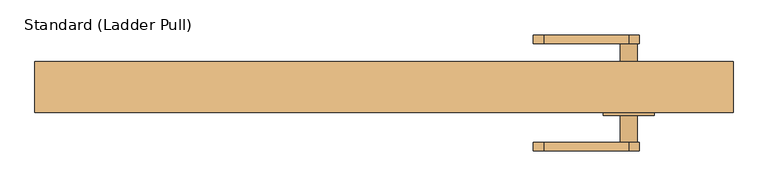
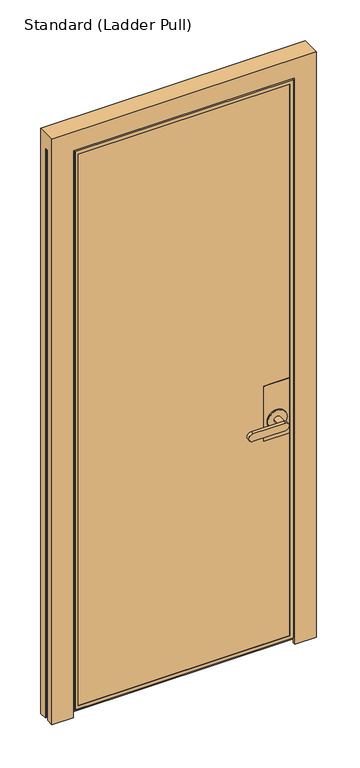
"""IFC4 building model written with IfcOpenShell, lengths in millimetres: door geometry, Standard (Ladder Pull)."""

from ifc_helpers import new_model, si_unit, frame, origin, place, context, project, spatial, polyline, circle_curve, outline, extrude, faceted_brep, source, transform, mapped, element, save
from ifc_brep_helpers import plane_surface, cylinder_surface, advanced_brep


def standard_ladder_pull_adfdaf4c(model_context):
    return source(origin(), model_context, "Body", "SolidModel", [
        faceted_brep([(415.925, 9.525, 1117.6), (314.325, 9.525, 1117.6), (314.325, -26.9875, 1117.6), (415.925, -26.9875, 1117.6), (415.925, 9.525, 889.0), (415.925, -26.9875, 889.0), (314.325, -26.9875, 889.0), (314.325, 9.525, 889.0)], [[[0, 1, 2, 3]], [[4, 5, 6, 7]], [[3, 5, 4, 0]], [[2, 6, 5, 3]], [[1, 7, 6, 2]], [[0, 4, 7, 1]]]),
        advanced_brep(
        [(415.925, -36.5125, 1117.6), (314.325, -36.5125, 1117.6), (314.325, -38.1, 1117.6), (415.925, -38.1, 1117.6), (415.925, -36.5125, 889.0), (415.925, -38.1, 889.0), (314.325, -38.1, 889.0), (314.325, -36.5125, 889.0), (327.025, -38.1, 965.2), (403.225, -38.1, 965.2), (403.225, -42.8625, 965.2), (327.025, -42.8625, 965.2), (352.425, -42.8625, 965.2), (377.825, -42.8625, 965.2), (377.825, -82.55, 965.2), (352.425, -82.55, 965.2), (238.125, -95.25, 949.325), (365.125, -95.25, 949.325), (365.125, -95.25, 981.075), (238.125, -95.25, 981.075), (238.125, -82.55, 949.325), (238.125, -82.55, 981.075), (365.125, -82.55, 981.075), (365.125, -82.55, 949.325)],
        [
            (0, 1),
            (1, 2),
            (2, 3),
            (3, 0),
            (4, 5),
            (5, 6),
            (6, 7),
            (7, 4),
            (3, 5),
            (4, 0),
            (2, 6),
            (8, 9, circle_curve(frame((365.125, -38.1, 965.2), z_axis=(0.0, 1.0, 0.0), x_axis=(-1.0, 0.0, 0.0)), 38.1)),
            (9, 8, circle_curve(frame((365.125, -38.1, 965.2), z_axis=(0.0, 1.0, 0.0), x_axis=(-1.0, 0.0, 0.0)), 38.1)),
            (1, 7),
            (10, 11, circle_curve(frame((365.125, -42.8625, 965.2), z_axis=(0.0, -1.0, 0.0), x_axis=(-1.0, 0.0, 0.0)), 38.1)),
            (11, 10, circle_curve(frame((365.125, -42.8625, 965.2), z_axis=(0.0, -1.0, 0.0), x_axis=(-1.0, 0.0, 0.0)), 38.1)),
            (12, 13, circle_curve(frame((365.125, -42.8625, 965.2), z_axis=(0.0, 1.0, 0.0), x_axis=(-1.0, 0.0, 0.0)), 12.7)),
            (13, 12, circle_curve(frame((365.125, -42.8625, 965.2), z_axis=(0.0, 1.0, 0.0), x_axis=(-1.0, 0.0, 0.0)), 12.7)),
            (11, 8),
            (9, 10),
            (14, 15, circle_curve(frame((365.125, -82.55, 965.2), z_axis=(0.0, 1.0, 0.0), x_axis=(-1.0, 0.0, 0.0)), 12.7)),
            (15, 12),
            (13, 14),
            (15, 14, circle_curve(frame((365.125, -82.55, 965.2), z_axis=(0.0, 1.0, 0.0), x_axis=(-1.0, 0.0, 0.0)), 12.7)),
            (16, 17),
            (17, 18, circle_curve(frame((365.125, -95.25, 965.2), z_axis=(0.0, -1.0, 0.0), x_axis=(-1.0, 0.0, 0.0)), 15.875)),
            (18, 19),
            (19, 16, circle_curve(frame((238.125, -95.25, 965.2), z_axis=(0.0, -1.0, 0.0), x_axis=(-1.0, 0.0, 0.0)), 15.875)),
            (20, 21, circle_curve(frame((238.125, -82.55, 965.2), z_axis=(0.0, 1.0, 0.0), x_axis=(-1.0, 0.0, 0.0)), 15.875)),
            (21, 22),
            (22, 23, circle_curve(frame((365.125, -82.55, 965.2), z_axis=(0.0, 1.0, 0.0), x_axis=(-1.0, 0.0, 0.0)), 15.875)),
            (23, 20),
            (19, 21),
            (20, 16),
            (18, 22),
            (17, 23),
        ],
        [
            plane_surface(frame((415.925, 20.6375, 1117.6), z_axis=(0.0, 0.0, 1.0), x_axis=(0.0, -1.0, 0.0))),
            plane_surface(frame((415.925, 20.6375, 889.0), z_axis=(0.0, 0.0, -1.0), x_axis=(0.0, 1.0, 0.0))),
            plane_surface(frame((415.925, -36.5125, 1117.6), z_axis=(1.0, 0.0, 0.0), x_axis=(0.0, 0.0, -1.0))),
            plane_surface(frame((415.925, -38.1, 1117.6), z_axis=(0.0, -1.0, 0.0), x_axis=(0.0, 0.0, -1.0))),
            plane_surface(frame((314.325, -38.1, 1117.6), z_axis=(-1.0, 0.0, 0.0), x_axis=(0.0, 0.0, -1.0))),
            plane_surface(frame((314.325, -36.5125, 1117.6), z_axis=(0.0, 1.0, 0.0), x_axis=(0.0, 0.0, -1.0))),
            plane_surface(frame((327.025, -42.8625, 965.2), z_axis=(0.0, -1.0, 0.0), x_axis=(0.0, 0.0, 1.0))),
            cylinder_surface(frame((365.125, -38.1, 965.2), z_axis=(0.0, -1.0, 0.0), x_axis=(-1.0, 0.0, 0.0)), 38.1),
            cylinder_surface(frame((365.125, -38.1, 965.2), z_axis=(0.0, -1.0, 0.0), x_axis=(-1.0, 0.0, 0.0)), 12.7),
            plane_surface(frame((222.25, -95.25, 965.2), z_axis=(0.0, -1.0, 0.0), x_axis=(0.0, 0.0, 1.0))),
            plane_surface(frame((222.25, -82.55, 965.2), z_axis=(0.0, 1.0, 0.0), x_axis=(0.0, 0.0, -1.0))),
            cylinder_surface(frame((238.125, -82.55, 965.2), z_axis=(0.0, -1.0, 0.0), x_axis=(-1.0, 0.0, 0.0)), 15.875),
            plane_surface(frame((238.125, -95.25, 981.075), z_axis=(0.0, 0.0, 1.0), x_axis=(0.0, 1.0, 0.0))),
            cylinder_surface(frame((365.125, -82.55, 965.2), z_axis=(0.0, -1.0, 0.0), x_axis=(-1.0, 0.0, 0.0)), 15.875),
            plane_surface(frame((365.125, -95.25, 949.325), z_axis=(0.0, 0.0, -1.0), x_axis=(0.0, 1.0, 0.0))),
        ],
        [
            (0, [[1, 2, 3, 4]]),
            (1, [[5, 6, 7, 8]]),
            (2, [[9, -5, 10, -4]]),
            (3, [[11, -6, -9, -3], [12, 13]]),
            (4, [[14, -7, -11, -2]]),
            (5, [[-10, -8, -14, -1]]),
            (6, [[15, 16], [17, 18]]),
            (7, [[19, -13, 20, -16]]),
            (7, [[-20, -12, -19, -15]]),
            (8, [[21, 22, -18, 23]]),
            (8, [[-17, -22, 24, -23]]),
            (9, [[25, 26, 27, 28]]),
            (10, [[29, 30, 31, 32], [-24, -21]]),
            (11, [[33, -29, 34, -28]]),
            (12, [[35, -30, -33, -27]]),
            (13, [[36, -31, -35, -26]]),
            (14, [[-34, -32, -36, -25]]),
        ],
    ),
        advanced_brep(
        [(415.925, 20.6375, 1117.6), (314.387178, 20.6375, 1117.6), (314.387178, 19.05, 1117.6), (415.925, 19.05, 1117.6), (415.925, 20.6375, 889.0), (415.925, 19.05, 889.0), (314.387178, 19.05, 889.0), (314.387178, 20.6375, 889.0), (377.825, 25.4, 965.2), (352.425, 25.4, 965.2), (352.425, 65.0875, 965.2), (377.825, 65.0875, 965.2), (403.225, 25.4, 965.2), (327.025, 25.4, 965.2), (403.225, 20.6375, 965.2), (327.025, 20.6375, 965.2), (365.125, 65.0875, 949.325), (365.125, 65.0875, 981.075), (238.125, 65.0875, 981.075), (238.125, 65.0875, 949.325), (365.125, 77.7875, 949.325), (238.125, 77.7875, 949.325), (238.125, 77.7875, 981.075), (365.125, 77.7875, 981.075)],
        [
            (0, 1),
            (1, 2),
            (2, 3),
            (3, 0),
            (4, 5),
            (5, 6),
            (6, 7),
            (7, 4),
            (8, 9, circle_curve(frame((365.125, 25.4, 965.2), z_axis=(0.0, 1.0, 0.0), x_axis=(-1.0, 0.0, 0.0)), 12.7)),
            (9, 10),
            (10, 11, circle_curve(frame((365.125, 65.0875, 965.2), z_axis=(0.0, -1.0, 0.0), x_axis=(-1.0, 0.0, 0.0)), 12.7)),
            (11, 8),
            (11, 10, circle_curve(frame((365.125, 65.0875, 965.2), z_axis=(0.0, -1.0, 0.0), x_axis=(-1.0, 0.0, 0.0)), 12.7)),
            (9, 8, circle_curve(frame((365.125, 25.4, 965.2), z_axis=(0.0, 1.0, 0.0), x_axis=(-1.0, 0.0, 0.0)), 12.7)),
            (12, 13, circle_curve(frame((365.125, 25.4, 965.2), z_axis=(0.0, 1.0, 0.0), x_axis=(-1.0, 0.0, 0.0)), 38.1)),
            (13, 12, circle_curve(frame((365.125, 25.4, 965.2), z_axis=(0.0, 1.0, 0.0), x_axis=(-1.0, 0.0, 0.0)), 38.1)),
            (12, 14),
            (14, 15, circle_curve(frame((365.125, 20.6375, 965.2), z_axis=(0.0, 1.0, 0.0), x_axis=(-1.0, 0.0, 0.0)), 38.1)),
            (15, 13),
            (15, 14, circle_curve(frame((365.125, 20.6375, 965.2), z_axis=(0.0, 1.0, 0.0), x_axis=(-1.0, 0.0, 0.0)), 38.1)),
            (16, 17, circle_curve(frame((365.125, 65.0875, 965.2), z_axis=(0.0, -1.0, 0.0), x_axis=(-1.0, 0.0, 0.0)), 15.875)),
            (17, 18),
            (18, 19, circle_curve(frame((238.125, 65.0875, 965.2), z_axis=(0.0, -1.0, 0.0), x_axis=(-1.0, 0.0, 0.0)), 15.875)),
            (19, 16),
            (20, 21),
            (21, 22, circle_curve(frame((238.125, 77.7875, 965.2), z_axis=(0.0, 1.0, 0.0), x_axis=(-1.0, 0.0, 0.0)), 15.875)),
            (22, 23),
            (23, 20, circle_curve(frame((365.125, 77.7875, 965.2), z_axis=(0.0, 1.0, 0.0), x_axis=(-1.0, 0.0, 0.0)), 15.875)),
            (19, 21),
            (20, 16),
            (18, 22),
            (17, 23),
            (3, 5),
            (4, 0),
            (2, 6),
            (1, 7),
        ],
        [
            plane_surface(frame((415.925, 20.6375, 1117.6), z_axis=(0.0, 0.0, 1.0), x_axis=(0.0, -1.0, 0.0))),
            plane_surface(frame((415.925, 20.6375, 889.0), z_axis=(0.0, 0.0, -1.0), x_axis=(0.0, 1.0, 0.0))),
            cylinder_surface(frame((365.125, 65.0875, 965.2), z_axis=(0.0, -1.0, 0.0), x_axis=(-1.0, 0.0, 0.0)), 12.7),
            plane_surface(frame((327.025, 25.4, 965.2), z_axis=(0.0, 1.0, 0.0), x_axis=(0.0, 0.0, -1.0))),
            cylinder_surface(frame((365.125, 25.4, 965.2), z_axis=(0.0, -1.0, 0.0), x_axis=(-1.0, 0.0, 0.0)), 38.1),
            plane_surface(frame((365.125, 65.0875, 949.325), z_axis=(0.0, -1.0, 0.0), x_axis=(-1.0, 0.0, 0.0))),
            plane_surface(frame((365.125, 77.7875, 949.325), z_axis=(0.0, 1.0, 0.0), x_axis=(1.0, 0.0, 0.0))),
            plane_surface(frame((365.125, 65.0875, 949.325), z_axis=(0.0, 0.0, -1.0), x_axis=(0.0, 1.0, 0.0))),
            cylinder_surface(frame((238.125, 77.7875, 965.2), z_axis=(0.0, -1.0, 0.0), x_axis=(-1.0, 0.0, 0.0)), 15.875),
            plane_surface(frame((238.125, 65.0875, 981.075), z_axis=(0.0, 0.0, 1.0), x_axis=(0.0, 1.0, 0.0))),
            cylinder_surface(frame((365.125, 77.7875, 965.2), z_axis=(0.0, -1.0, 0.0), x_axis=(-1.0, 0.0, 0.0)), 15.875),
            plane_surface(frame((415.925, 20.6375, 1117.6), z_axis=(1.0, 0.0, 0.0), x_axis=(0.0, 0.0, -1.0))),
            plane_surface(frame((415.925, 19.05, 1117.6), z_axis=(0.0, -1.0, 0.0), x_axis=(0.0, 0.0, -1.0))),
            plane_surface(frame((314.387178, 19.05, 1117.6), z_axis=(-1.0, 0.0, 0.0), x_axis=(0.0, 0.0, -1.0))),
            plane_surface(frame((314.387178, 20.6375, 1117.6), z_axis=(0.0, 1.0, 0.0), x_axis=(0.0, 0.0, -1.0))),
        ],
        [
            (0, [[1, 2, 3, 4]]),
            (1, [[5, 6, 7, 8]]),
            (2, [[9, 10, 11, 12]]),
            (2, [[13, -10, 14, -12]]),
            (3, [[15, 16], [-14, -9]]),
            (4, [[17, 18, 19, -15]]),
            (4, [[-19, 20, -17, -16]]),
            (5, [[21, 22, 23, 24], [-13, -11]]),
            (6, [[25, 26, 27, 28]]),
            (7, [[29, -25, 30, -24]]),
            (8, [[31, -26, -29, -23]]),
            (9, [[32, -27, -31, -22]]),
            (10, [[-30, -28, -32, -21]]),
            (11, [[33, -5, 34, -4]]),
            (12, [[35, -6, -33, -3]]),
            (13, [[36, -7, -35, -2]]),
            (14, [[-34, -8, -36, -1], [-20, -18]]),
        ],
    ),
        extrude(outline(polyline([(428.625, -36.5125), (-428.625, -36.5125), (-428.625, -26.9875), (428.625, -26.9875), (428.625, -36.5125)])), frame((0.0, 0.0, 30.1625), z_axis=(0.0, 0.0, 1.0), x_axis=(1.0, 0.0, 0.0)), (0.0, 0.0, 1.0), 2322.5125),
        extrude(outline(polyline([(-428.625, 9.525), (-428.625, 19.05), (428.625, 19.05), (428.625, 9.525), (-428.625, 9.525)])), frame((0.0, 0.0, 30.1625), z_axis=(0.0, 0.0, 1.0), x_axis=(1.0, 0.0, 0.0)), (0.0, 0.0, 1.0), 2322.5125),
        faceted_brep([(-428.625, -36.5125, 2352.675), (-428.625, -36.5125, 30.1625), (-428.625, -26.9875, 30.1625), (-428.625, -26.9875, 2352.675), (428.625, -26.9875, 30.1625), (428.625, -26.9875, 2352.675), (-415.925, -26.9875, 42.8625), (-415.925, -26.9875, 2339.975), (415.925, -26.9875, 2339.975), (415.925, -26.9875, 42.8625), (428.625, -36.5125, 30.1625), (428.625, -36.5125, 2352.675), (-415.925, -36.5125, 2339.975), (-415.925, -36.5125, 42.8625), (415.925, -36.5125, 42.8625), (415.925, -36.5125, 2339.975), (-415.925, -38.1, 2339.975), (-415.925, -38.1, 42.8625), (415.925, -38.1, 42.8625), (-430.2125, -38.1, 2354.2625), (-430.2125, -38.1, 28.575), (430.2125, -38.1, 28.575), (430.2125, -38.1, 2354.2625), (415.925, -38.1, 2339.975), (-430.2125, -23.8125, 2354.2625), (-430.2125, -23.8125, 28.575), (430.2125, -23.8125, 28.575), (-446.0875, -23.8125, 2370.1375), (-446.0875, -23.8125, 12.7), (446.0875, -23.8125, 12.7), (446.0875, -23.8125, 2370.1375), (430.2125, -23.8125, 2354.2625), (-446.0875, 20.6375, 2370.1375), (-446.0875, 20.6375, 12.7), (446.0875, 20.6375, 12.7), (446.0875, 20.6375, 2370.1375), (-415.925, 20.6375, 2339.975), (-415.925, 20.6375, 42.8625), (415.925, 20.6375, 42.8625), (415.925, 20.6375, 2339.975), (-415.925, 9.525, 42.8625), (-415.925, 9.525, 2339.975), (-428.625, 9.525, 2352.675), (428.625, 9.525, 2352.675), (428.625, 9.525, 30.1625), (-428.625, 9.525, 30.1625), (415.925, 9.525, 2339.975), (415.925, 9.525, 42.8625), (415.925, 19.05, 42.8625), (415.925, 19.05, 2339.975), (-415.925, 19.05, 42.8625), (-415.925, 19.05, 2339.975), (428.625, 19.05, 2352.675), (-428.625, 19.05, 2352.675), (-428.625, 19.05, 30.1625), (428.625, 19.05, 30.1625)], [[[0, 1, 2, 3]], [[3, 2, 4, 5], [6, 7, 8, 9]], [[1, 10, 4, 2]], [[1, 0, 11, 10], [12, 13, 14, 15]], [[16, 17, 13, 12]], [[17, 18, 14, 13]], [[19, 20, 21, 22], [17, 16, 23, 18]], [[24, 25, 20, 19]], [[25, 26, 21, 20]], [[27, 28, 29, 30], [25, 24, 31, 26]], [[32, 33, 28, 27]], [[33, 34, 29, 28]], [[33, 32, 35, 34], [36, 37, 38, 39]], [[10, 11, 5, 4]], [[18, 23, 15, 14]], [[26, 31, 22, 21]], [[34, 35, 30, 29]], [[7, 6, 40, 41]], [[42, 43, 44, 45], [46, 41, 40, 47]], [[6, 9, 47, 40]], [[9, 8, 46, 47]], [[48, 49, 39, 38]], [[50, 48, 38, 37]], [[51, 50, 37, 36]], [[52, 53, 54, 55], [51, 49, 48, 50]], [[42, 45, 54, 53]], [[45, 44, 55, 54]], [[44, 43, 52, 55]], [[11, 0, 3, 5]], [[23, 16, 12, 15]], [[31, 24, 19, 22]], [[35, 32, 27, 30]], [[8, 7, 41, 46]], [[49, 51, 36, 39]], [[43, 42, 53, 52]]]),
        faceted_brep([(450.85, -26.9875, 0.0), (450.85, 38.1, 0.0), (520.6999977, 38.1, 0.0), (520.6999977, 8.73125, 0.0), (518.3187477, 8.73125, 0.0), (518.3187477, 10.31875, 0.0), (519.1124977, 10.31875, 0.0), (519.1124977, 13.49375, 0.0), (512.7624977, 13.49375, 0.0), (512.7624977, 10.31875, 0.0), (513.5562477, 10.31875, 0.0), (513.5562477, 8.73125, 0.0), (511.1749977, 8.73125, 0.0), (511.1749977, 15.08125, 0.0), (519.1124977, 15.08125, 0.0), (519.1124977, 23.8125, 0.0), (507.9999977, 23.8125, 0.0), (507.9999977, 22.225, 0.0), (506.4124977, 22.225, 0.0), (506.4124977, 23.8125, 0.0), (504.8249977, 23.8125, 0.0), (504.8249977, -23.8125, 0.0), (506.4124977, -23.8125, 0.0), (506.4124977, -22.225, 0.0), (507.9999977, -22.225, 0.0), (507.9999977, -23.8125, 0.0), (519.1124977, -23.8125, 0.0), (519.1124977, -15.08125, 0.0), (511.1749977, -15.08125, 0.0), (511.1749977, -8.73125, 0.0), (513.5562477, -8.73125, 0.0), (513.5562477, -10.31875, 0.0), (512.7624977, -10.31875, 0.0), (512.7624977, -13.49375, 0.0), (519.1124977, -13.49375, 0.0), (519.1124977, -10.31875, 0.0), (518.3187477, -10.31875, 0.0), (518.3187477, -8.73125, 0.0), (520.6999977, -8.73125, 0.0), (520.6999977, -38.1, 0.0), (436.5625, -38.1, 0.0), (436.5625, -26.9875, 0.0), (520.7, -8.73125, 2374.9), (520.7, 8.73125, 2374.9), (520.7, 38.1, 2438.4), (520.7, -38.1, 2438.4), (-520.6999977, -38.1, 0.0), (-436.5625, -38.1, 0.0), (-436.5625, -38.1, 2360.6125), (436.5625, -38.1, 2360.6125), (-520.7, -38.1, 2438.4), (-520.7, 38.1, 2438.4), (450.85, 38.1, 2374.9), (-450.85, 38.1, 2374.9), (-450.85, 38.1, 0.0), (-520.6999977, 38.1, 0.0), (518.3187477, 8.73125, 2374.9), (518.3187477, -8.73125, 2374.9), (-450.85, -26.9875, 0.0), (-436.5625, -26.9875, 0.0), (-520.6999977, -8.73125, 0.0), (-518.3187477, -8.73125, 0.0), (-518.3187477, -10.31875, 0.0), (-519.1124977, -10.31875, 0.0), (-519.1124977, -13.49375, 0.0), (-512.7624977, -13.49375, 0.0), (-512.7624977, -10.31875, 0.0), (-513.5562477, -10.31875, 0.0), (-513.5562477, -8.73125, 0.0), (-511.1749977, -8.73125, 0.0), (-511.1749977, -15.08125, 0.0), (-519.1124977, -15.08125, 0.0), (-519.1124977, -23.8125, 0.0), (-507.9999977, -23.8125, 0.0), (-507.9999977, -22.225, 0.0), (-506.4124977, -22.225, 0.0), (-506.4124977, -23.8125, 0.0), (-504.8249977, -23.8125, 0.0), (-504.8249977, 23.8125, 0.0), (-506.4124977, 23.8125, 0.0), (-506.4124977, 22.225, 0.0), (-507.9999977, 22.225, 0.0), (-507.9999977, 23.8125, 0.0), (-519.1124977, 23.8125, 0.0), (-519.1124977, 15.08125, 0.0), (-511.1749977, 15.08125, 0.0), (-511.1749977, 8.73125, 0.0), (-513.5562477, 8.73125, 0.0), (-513.5562477, 10.31875, 0.0), (-512.7624977, 10.31875, 0.0), (-512.7624977, 13.49375, 0.0), (-519.1124977, 13.49375, 0.0), (-519.1124977, 10.31875, 0.0), (-518.3187477, 10.31875, 0.0), (-518.3187477, 8.73125, 0.0), (-520.6999977, 8.73125, 0.0), (-520.7, 8.73125, 2374.9), (-520.7, -8.73125, 2374.9), (-518.3187477, -8.73125, 2374.9), (-518.3187477, 8.73125, 2374.9), (436.5625, -26.9875, 2360.6125), (-436.5625, -26.9875, 2360.6125), (-450.85, -26.9875, 2374.9), (450.85, -26.9875, 2374.9), (518.3187477, -10.31875, 2374.9), (519.1124977, -10.31875, 2374.9), (519.1124977, -13.49375, 2374.9), (512.7624977, -13.49375, 2374.9), (512.7624977, -10.31875, 2374.9), (513.5562477, -10.31875, 2374.9), (513.5562477, -8.73125, 2374.9), (511.1749977, -8.73125, 2374.9), (511.1749977, -15.08125, 2374.9), (519.1124977, -15.08125, 2374.9), (519.1124977, -23.8125, 2374.9), (507.9999977, -23.8125, 2374.9), (507.9999977, -22.225, 2374.9), (506.4124977, -22.225, 2374.9), (506.4124977, -23.8125, 2374.9), (504.8249977, -23.8125, 2374.9), (504.8249977, 23.8125, 2374.9), (506.4124977, 23.8125, 2374.9), (506.4124977, 22.225, 2374.9), (507.9999977, 22.225, 2374.9), (507.9999977, 23.8125, 2374.9), (519.1124977, 23.8125, 2374.9), (519.1124977, 15.08125, 2374.9), (511.1749977, 15.08125, 2374.9), (511.1749977, 8.73125, 2374.9), (513.5562477, 8.73125, 2374.9), (513.5562477, 10.31875, 2374.9), (512.7624977, 10.31875, 2374.9), (512.7624977, 13.49375, 2374.9), (519.1124977, 13.49375, 2374.9), (519.1124977, 10.31875, 2374.9), (518.3187477, 10.31875, 2374.9), (-518.3187477, 10.31875, 2374.9), (-519.1124977, 10.31875, 2374.9), (-519.1124977, 13.49375, 2374.9), (-512.7624977, 13.49375, 2374.9), (-512.7624977, 10.31875, 2374.9), (-513.5562477, 10.31875, 2374.9), (-513.5562477, 8.73125, 2374.9), (-511.1749977, 8.73125, 2374.9), (-511.1749977, 15.08125, 2374.9), (-519.1124977, 15.08125, 2374.9), (-519.1124977, 23.8125, 2374.9), (-507.9999977, 23.8125, 2374.9), (-507.9999977, 22.225, 2374.9), (-506.4124977, 22.225, 2374.9), (-506.4124977, 23.8125, 2374.9), (-504.8249977, 23.8125, 2374.9), (-504.8249977, -23.8125, 2374.9), (-506.4124977, -23.8125, 2374.9), (-506.4124977, -22.225, 2374.9), (-507.9999977, -22.225, 2374.9), (-507.9999977, -23.8125, 2374.9), (-519.1124977, -23.8125, 2374.9), (-519.1124977, -15.08125, 2374.9), (-511.1749977, -15.08125, 2374.9), (-511.1749977, -8.73125, 2374.9), (-513.5562477, -8.73125, 2374.9), (-513.5562477, -10.31875, 2374.9), (-512.7624977, -10.31875, 2374.9), (-512.7624977, -13.49375, 2374.9), (-519.1124977, -13.49375, 2374.9), (-519.1124977, -10.31875, 2374.9), (-518.3187477, -10.31875, 2374.9)], [[[0, 1, 2, 3, 4, 5, 6, 7, 8, 9, 10, 11, 12, 13, 14, 15, 16, 17, 18, 19, 20, 21, 22, 23, 24, 25, 26, 27, 28, 29, 30, 31, 32, 33, 34, 35, 36, 37, 38, 39, 40, 41]], [[38, 42, 43, 3, 2, 44, 45, 39]], [[46, 47, 48, 49, 40, 39, 45, 50]], [[51, 44, 2, 1, 52, 53, 54, 55]], [[3, 43, 56, 4]], [[37, 57, 42, 38]], [[58, 59, 47, 46, 60, 61, 62, 63, 64, 65, 66, 67, 68, 69, 70, 71, 72, 73, 74, 75, 76, 77, 78, 79, 80, 81, 82, 83, 84, 85, 86, 87, 88, 89, 90, 91, 92, 93, 94, 95, 55, 54]], [[46, 50, 51, 55, 95, 96, 97, 60]], [[60, 97, 98, 61]], [[94, 99, 96, 95]], [[41, 100, 101, 59, 58, 102, 103, 0]], [[0, 103, 52, 1]], [[54, 53, 102, 58]], [[59, 101, 48, 47]], [[40, 49, 100, 41]], [[36, 104, 57, 37]], [[35, 105, 104, 36]], [[34, 106, 105, 35]], [[33, 107, 106, 34]], [[32, 108, 107, 33]], [[31, 109, 108, 32]], [[30, 110, 109, 31]], [[29, 111, 110, 30]], [[28, 112, 111, 29]], [[27, 113, 112, 28]], [[26, 114, 113, 27]], [[25, 115, 114, 26]], [[24, 116, 115, 25]], [[23, 117, 116, 24]], [[22, 118, 117, 23]], [[21, 119, 118, 22]], [[20, 120, 119, 21]], [[19, 121, 120, 20]], [[18, 122, 121, 19]], [[17, 123, 122, 18]], [[16, 124, 123, 17]], [[15, 125, 124, 16]], [[14, 126, 125, 15]], [[13, 127, 126, 14]], [[12, 128, 127, 13]], [[11, 129, 128, 12]], [[10, 130, 129, 11]], [[9, 131, 130, 10]], [[8, 132, 131, 9]], [[7, 133, 132, 8]], [[6, 134, 133, 7]], [[5, 135, 134, 6]], [[4, 56, 135, 5]], [[93, 136, 99, 94]], [[92, 137, 136, 93]], [[91, 138, 137, 92]], [[90, 139, 138, 91]], [[89, 140, 139, 90]], [[88, 141, 140, 89]], [[87, 142, 141, 88]], [[86, 143, 142, 87]], [[85, 144, 143, 86]], [[84, 145, 144, 85]], [[83, 146, 145, 84]], [[82, 147, 146, 83]], [[81, 148, 147, 82]], [[80, 149, 148, 81]], [[79, 150, 149, 80]], [[78, 151, 150, 79]], [[77, 152, 151, 78]], [[76, 153, 152, 77]], [[75, 154, 153, 76]], [[74, 155, 154, 75]], [[73, 156, 155, 74]], [[72, 157, 156, 73]], [[71, 158, 157, 72]], [[70, 159, 158, 71]], [[69, 160, 159, 70]], [[68, 161, 160, 69]], [[67, 162, 161, 68]], [[66, 163, 162, 67]], [[65, 164, 163, 66]], [[64, 165, 164, 65]], [[63, 166, 165, 64]], [[62, 167, 166, 63]], [[61, 98, 167, 62]], [[51, 50, 45, 44]], [[42, 57, 104, 105, 106, 107, 108, 109, 110, 111, 112, 113, 114, 115, 116, 117, 118, 119, 120, 121, 122, 123, 124, 125, 126, 127, 128, 129, 130, 131, 132, 133, 134, 135, 56, 43]], [[96, 99, 136, 137, 138, 139, 140, 141, 142, 143, 144, 145, 146, 147, 148, 149, 150, 151, 152, 153, 154, 155, 156, 157, 158, 159, 160, 161, 162, 163, 164, 165, 166, 167, 98, 97]], [[102, 53, 52, 103]], [[49, 48, 101, 100]]]),
    ])


if __name__ == "__main__":
    model = new_model("IFC4")
    model_context = context("Model", 3, world=origin())
    ifc_project = project(units=[si_unit("LENGTHUNIT", "METRE", prefix="MILLI")], contexts=[model_context])
    site = spatial("IfcSite", under=ifc_project)
    building = spatial("IfcBuilding", under=site)
    placement = place(None, origin())
    standard_ladder_pull_shape = standard_ladder_pull_adfdaf4c(model_context)
    element("IfcDoor", 1, ObjectType="Standard (Ladder Pull)", at=placement, inside=building, context=model_context, shape_type="MappedRepresentation", body=[
        mapped(standard_ladder_pull_shape, transform((0.0, 0.0, 0.0), x_axis=(1.0, 0.0, 0.0), y_axis=(0.0, 1.0, 0.0), z_axis=(0.0, 0.0, 1.0))),
    ])
    save(model, "model.ifc")
